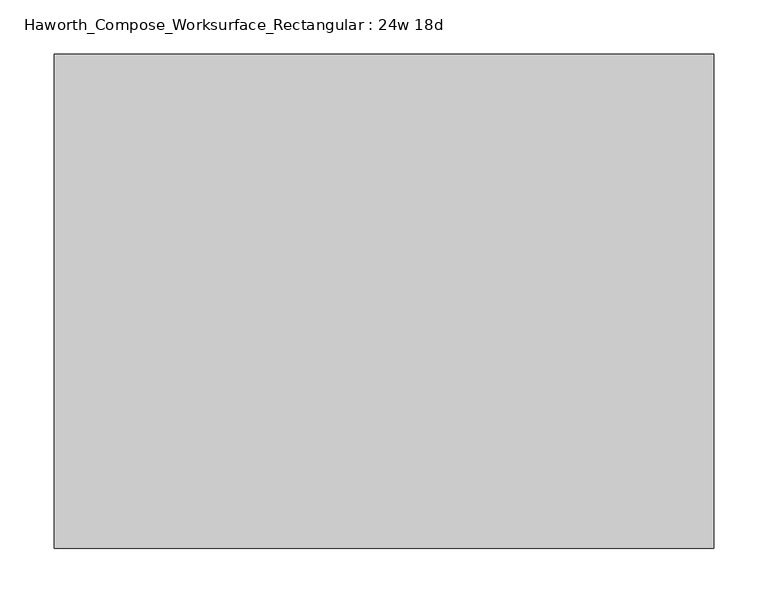
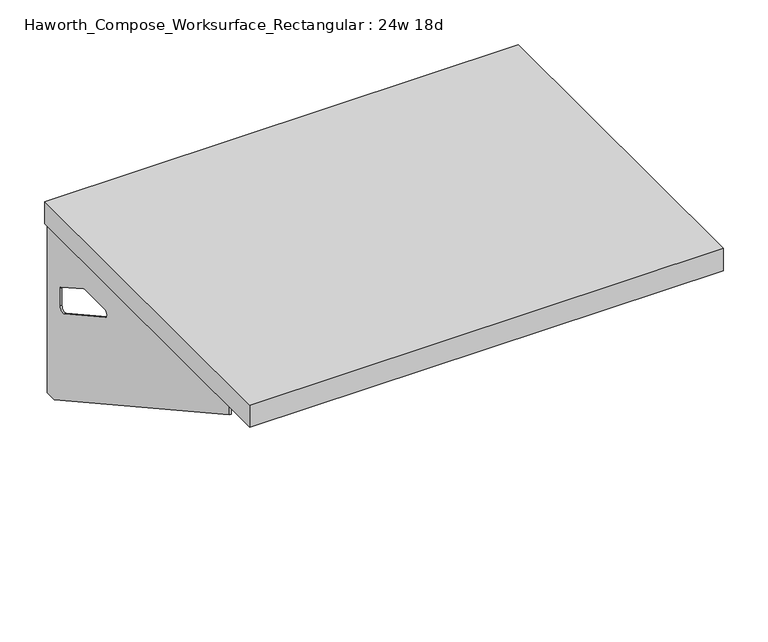
"""IFC4 building model written with IfcOpenShell, lengths in millimetres: furniture geometry, Haworth_Compose_Worksurface_Rectangular : 24w 18d."""

from ifc_helpers import new_model, si_unit, frame, origin, place, context, project, spatial, polyline, circle_curve, outline, extrude, source, transform, mapped, element, save
from ifc_brep_helpers import plane_surface, revolved_surface, advanced_brep


def haworth_compose_worksurface_rectangular_24w_18d_c6487fa7(model_context):
    return source(origin(), model_context, "Body", "SolidModel", [
        advanced_brep(
        [(299.24375, 228.6, 475.45625), (299.24375, 212.725, 475.45625), (299.24375, -177.8, 691.7192568), (299.24375, -177.8, 704.05625), (299.24375, 212.725, 704.05625), (299.24375, 228.6, 704.05625), (299.24375, 145.290072, 665.95625), (299.24375, 101.6355284, 665.95625), (299.24375, 98.9564235, 656.3705539), (299.24375, 190.6776173, 605.5776439), (299.24375, 200.025, 611.1756969), (299.24375, 200.025, 634.6860246), (299.24375, 198.2730055, 637.5242776), (299.24375, 148.3663437, 665.1613425), (301.625, 228.6, 475.45625), (301.625, 228.6, 704.05625), (301.625, 212.725, 704.05625), (301.625, 212.725, 706.4375), (301.625, -177.8, 706.4375), (301.625, -177.8, 691.7192568), (301.625, 212.725, 475.45625), (301.625, 145.290072, 665.95625), (301.625, 148.3663437, 665.1613425), (301.625, 198.2730055, 637.5242776), (301.625, 200.025, 634.6860246), (301.625, 200.025, 611.1756969), (301.625, 190.6776173, 605.5776439), (301.625, 98.9564235, 656.3705539), (301.625, 101.6355284, 665.95625), (260.35, -177.8, 706.4375), (260.35, -177.8, 704.05625), (260.35, 212.725, 704.05625), (260.35, 212.725, 706.4375)],
        [
            (0, 1),
            (1, 2),
            (2, 3),
            (3, 4),
            (4, 5),
            (5, 0),
            (6, 7),
            (7, 8, circle_curve(frame((299.24375, 101.6355284, 660.7890106), z_axis=(1.0, 0.0, 0.0), x_axis=(0.0, -1.0, 0.0)), 5.1672394)),
            (8, 9),
            (9, 10, circle_curve(frame((299.24375, 193.675, 611.1756969), z_axis=(1.0, 0.0, 0.0), x_axis=(0.0, -1.0, 0.0)), 6.35)),
            (10, 11),
            (11, 12, circle_curve(frame((299.24375, 196.85, 634.6860246), z_axis=(1.0, 0.0, 0.0), x_axis=(0.0, -1.0, 0.0)), 3.175)),
            (12, 13),
            (13, 6, circle_curve(frame((299.24375, 145.290072, 659.60625), z_axis=(1.0, 0.0, 0.0), x_axis=(0.0, -1.0, 0.0)), 6.35)),
            (14, 15),
            (15, 16),
            (16, 17),
            (17, 18),
            (18, 19),
            (19, 20),
            (20, 14),
            (21, 22, circle_curve(frame((301.625, 145.290072, 659.60625), z_axis=(-1.0, 0.0, 0.0), x_axis=(0.0, -1.0, 0.0)), 6.35)),
            (22, 23),
            (23, 24, circle_curve(frame((301.625, 196.85, 634.6860246), z_axis=(-1.0, 0.0, 0.0), x_axis=(0.0, -1.0, 0.0)), 3.175)),
            (24, 25),
            (25, 26, circle_curve(frame((301.625, 193.675, 611.1756969), z_axis=(-1.0, 0.0, 0.0), x_axis=(0.0, -1.0, 0.0)), 6.35)),
            (26, 27),
            (27, 28, circle_curve(frame((301.625, 101.6355284, 660.7890106), z_axis=(-1.0, 0.0, 0.0), x_axis=(0.0, -1.0, 0.0)), 5.1672394)),
            (28, 21),
            (4, 16),
            (15, 5),
            (14, 0),
            (20, 1),
            (19, 2),
            (18, 29),
            (29, 30),
            (30, 3),
            (6, 21),
            (28, 7),
            (9, 26),
            (25, 10),
            (24, 11),
            (23, 12),
            (27, 8),
            (31, 4),
            (30, 31),
            (32, 29),
            (17, 32),
            (31, 32),
            (22, 13),
        ],
        [
            plane_surface(frame((299.24375, 228.6, 475.45625), z_axis=(-1.0, 0.0, 0.0), x_axis=(0.0, 1.0, 0.0))),
            plane_surface(frame((301.625, 228.6, 475.45625), z_axis=(1.0, 0.0, 0.0), x_axis=(0.0, -1.0, 0.0))),
            plane_surface(frame((301.625, -177.8, 704.05625), z_axis=(0.0, 0.0, 1.0), x_axis=(-1.0, 0.0, 0.0))),
            plane_surface(frame((301.625, 228.6, 704.05625), z_axis=(0.0, 1.0, 0.0), x_axis=(-1.0, 0.0, 0.0))),
            plane_surface(frame((301.625, 228.6, 475.45625), z_axis=(0.0, 0.0, -1.0), x_axis=(-1.0, 0.0, 0.0))),
            plane_surface(frame((301.625, 212.725, 475.45625), z_axis=(0.0, -0.48445223513455843, -0.8748177135112952), x_axis=(-1.0, 0.0, 0.0))),
            plane_surface(frame((301.625, -177.8, 691.7192568), z_axis=(0.0, -1.0, 0.0), x_axis=(-1.0, 0.0, 0.0))),
            plane_surface(frame((301.625, 145.290072, 665.95625), z_axis=(0.0, 0.0, -1.0), x_axis=(-1.0, 0.0, 0.0))),
            revolved_surface(polyline([(299.24375, 187.32500000000002, 611.1756969), (301.625, 187.32500000000002, 611.1756969)]), (301.625, 193.675, 611.1756969), (-1.0, 0.0, 0.0)),
            plane_surface(frame((301.625, 200.025, 611.1756969), z_axis=(0.0, -1.0, 0.0), x_axis=(-1.0, 0.0, 0.0))),
            revolved_surface(polyline([(299.24375, 193.67499999999998, 634.6860246), (301.625, 193.67499999999998, 634.6860246)]), (301.625, 196.85, 634.6860246), (-1.0, 0.0, 0.0)),
            revolved_surface(polyline([(299.24375, 96.468289, 660.7890106), (301.625, 96.468289, 660.7890106)]), (301.625, 101.6355284, 660.7890106), (-1.0, 0.0, 0.0)),
            plane_surface(frame((301.625, 212.725, 704.05625), z_axis=(0.0, 0.0, -1.0), x_axis=(-1.0, 0.0, 0.0))),
            plane_surface(frame((301.625, 212.725, 706.4375), z_axis=(0.0, 0.0, 1.0), x_axis=(1.0, 0.0, 0.0))),
            plane_surface(frame((260.35, 212.725, 706.4375), z_axis=(0.0, 1.0, 0.0), x_axis=(0.0, 0.0, -1.0))),
            plane_surface(frame((260.35, -177.8, 706.4375), z_axis=(-1.0, 0.0, 0.0), x_axis=(0.0, 0.0, -1.0))),
            plane_surface(frame((301.625, 98.9564235, 656.3705539), z_axis=(0.0, 0.4844522351345583, 0.8748177135112953), x_axis=(-1.0, 0.0, 0.0))),
            plane_surface(frame((301.625, 198.2730055, 637.5242776), z_axis=(0.0, -0.4844522351345582, -0.8748177135112953), x_axis=(-1.0, 0.0, 0.0))),
            revolved_surface(polyline([(299.24375, 138.94007200000001, 659.60625), (301.625, 138.94007200000001, 659.60625)]), (301.625, 145.290072, 659.60625), (-1.0, 0.0, 0.0)),
        ],
        [
            (0, [[1, 2, 3, 4, 5, 6], [7, 8, 9, 10, 11, 12, 13, 14]]),
            (1, [[15, 16, 17, 18, 19, 20, 21], [22, 23, 24, 25, 26, 27, 28, 29]]),
            (2, [[-5, 30, -16, 31]]),
            (3, [[-31, -15, 32, -6]]),
            (4, [[-32, -21, 33, -1]]),
            (5, [[-33, -20, 34, -2]]),
            (6, [[-34, -19, 35, 36, 37, -3]]),
            (7, [[38, -29, 39, -7]]),
            (8, [[40, -26, 41, -10]]),
            (9, [[-41, -25, 42, -11]]),
            (10, [[-42, -24, 43, -12]]),
            (11, [[-39, -28, 44, -8]]),
            (12, [[45, -4, -37, 46]]),
            (13, [[47, -35, -18, 48]]),
            (14, [[-17, -30, -45, 49, -48]]),
            (15, [[-36, -47, -49, -46]]),
            (16, [[-44, -27, -40, -9]]),
            (17, [[-43, -23, 50, -13]]),
            (18, [[-50, -22, -38, -14]]),
        ],
    ),
        advanced_brep(
        [(-299.24375, 228.6, 475.45625), (-299.24375, 228.6, 704.05625), (-299.24375, 212.725, 704.05625), (-299.24375, -177.8, 704.05625), (-299.24375, -177.8, 691.7192568), (-299.24375, 212.725, 475.45625), (-299.24375, 145.290072, 665.95625), (-299.24375, 148.3663437, 665.1613425), (-299.24375, 198.2730055, 637.5242776), (-299.24375, 200.025, 634.6860246), (-299.24375, 200.025, 611.1756969), (-299.24375, 190.6776173, 605.5776439), (-299.24375, 98.9564235, 656.3705539), (-299.24375, 101.6355284, 665.95625), (-301.625, 228.6, 475.45625), (-301.625, 212.725, 475.45625), (-301.625, -177.8, 691.7192568), (-301.625, -177.8, 706.4375), (-301.625, 212.725, 706.4375), (-301.625, 212.725, 704.05625), (-301.625, 228.6, 704.05625), (-301.625, 145.290072, 665.95625), (-301.625, 101.6355284, 665.95625), (-301.625, 98.9564235, 656.3705539), (-301.625, 190.6776173, 605.5776439), (-301.625, 200.025, 611.1756969), (-301.625, 200.025, 634.6860246), (-301.625, 198.2730055, 637.5242776), (-301.625, 148.3663437, 665.1613425), (-260.35, -177.8, 704.05625), (-260.35, -177.8, 706.4375), (-260.35, 212.725, 704.05625), (-260.35, 212.725, 706.4375)],
        [
            (0, 1),
            (1, 2),
            (2, 3),
            (3, 4),
            (4, 5),
            (5, 0),
            (6, 7, circle_curve(frame((-299.24375, 145.290072, 659.60625), z_axis=(-1.0, 0.0, 0.0), x_axis=(0.0, -1.0, 0.0)), 6.35)),
            (7, 8),
            (8, 9, circle_curve(frame((-299.24375, 196.85, 634.6860246), z_axis=(-1.0, 0.0, 0.0), x_axis=(0.0, -1.0, 0.0)), 3.175)),
            (9, 10),
            (10, 11, circle_curve(frame((-299.24375, 193.675, 611.1756969), z_axis=(-1.0, 0.0, 0.0), x_axis=(0.0, -1.0, 0.0)), 6.35)),
            (11, 12),
            (12, 13, circle_curve(frame((-299.24375, 101.6355284, 660.7890106), z_axis=(-1.0, 0.0, 0.0), x_axis=(0.0, -1.0, 0.0)), 5.1672394)),
            (13, 6),
            (14, 15),
            (15, 16),
            (16, 17),
            (17, 18),
            (18, 19),
            (19, 20),
            (20, 14),
            (21, 22),
            (22, 23, circle_curve(frame((-301.625, 101.6355284, 660.7890106), z_axis=(1.0, 0.0, 0.0), x_axis=(0.0, -1.0, 0.0)), 5.1672394)),
            (23, 24),
            (24, 25, circle_curve(frame((-301.625, 193.675, 611.1756969), z_axis=(1.0, 0.0, 0.0), x_axis=(0.0, -1.0, 0.0)), 6.35)),
            (25, 26),
            (26, 27, circle_curve(frame((-301.625, 196.85, 634.6860246), z_axis=(1.0, 0.0, 0.0), x_axis=(0.0, -1.0, 0.0)), 3.175)),
            (27, 28),
            (28, 21, circle_curve(frame((-301.625, 145.290072, 659.60625), z_axis=(1.0, 0.0, 0.0), x_axis=(0.0, -1.0, 0.0)), 6.35)),
            (1, 20),
            (19, 2),
            (0, 14),
            (5, 15),
            (4, 16),
            (3, 29),
            (29, 30),
            (30, 17),
            (13, 22),
            (21, 6),
            (10, 25),
            (24, 11),
            (9, 26),
            (8, 27),
            (12, 23),
            (31, 29),
            (2, 31),
            (32, 18),
            (30, 32),
            (32, 31),
            (7, 28),
        ],
        [
            plane_surface(frame((-299.24375, 228.6, 475.45625), z_axis=(1.0, 0.0, 0.0), x_axis=(0.0, 1.0, 0.0))),
            plane_surface(frame((-301.625, 228.6, 475.45625), z_axis=(-1.0, 0.0, 0.0), x_axis=(0.0, -1.0, 0.0))),
            plane_surface(frame((-301.625, -177.8, 704.05625), z_axis=(0.0, 0.0, 1.0), x_axis=(1.0, 0.0, 0.0))),
            plane_surface(frame((-301.625, 228.6, 704.05625), z_axis=(0.0, 1.0, 0.0), x_axis=(1.0, 0.0, 0.0))),
            plane_surface(frame((-301.625, 228.6, 475.45625), z_axis=(0.0, 0.0, -1.0), x_axis=(1.0, 0.0, 0.0))),
            plane_surface(frame((-301.625, 212.725, 475.45625), z_axis=(0.0, -0.48445223513455843, -0.8748177135112952), x_axis=(1.0, 0.0, 0.0))),
            plane_surface(frame((-301.625, -177.8, 691.7192568), z_axis=(0.0, -1.0, 0.0), x_axis=(1.0, 0.0, 0.0))),
            plane_surface(frame((-301.625, 145.290072, 665.95625), z_axis=(0.0, 0.0, -1.0), x_axis=(1.0, 0.0, 0.0))),
            revolved_surface(polyline([(-299.24375, 187.32500000000002, 611.1756969), (-301.625, 187.32500000000002, 611.1756969)]), (-301.625, 193.675, 611.1756969), (1.0, 0.0, 0.0)),
            plane_surface(frame((-301.625, 200.025, 611.1756969), z_axis=(0.0, -1.0, 0.0), x_axis=(1.0, 0.0, 0.0))),
            revolved_surface(polyline([(-299.24375, 193.67499999999998, 634.6860246), (-301.625, 193.67499999999998, 634.6860246)]), (-301.625, 196.85, 634.6860246), (1.0, 0.0, 0.0)),
            revolved_surface(polyline([(-299.24375, 96.468289, 660.7890106), (-301.625, 96.468289, 660.7890106)]), (-301.625, 101.6355284, 660.7890106), (1.0, 0.0, 0.0)),
            plane_surface(frame((-301.625, 212.725, 704.05625), z_axis=(0.0, 0.0, -1.0), x_axis=(1.0, 0.0, 0.0))),
            plane_surface(frame((-301.625, 212.725, 706.4375), z_axis=(0.0, 0.0, 1.0), x_axis=(-1.0, 0.0, 0.0))),
            plane_surface(frame((-260.35, 212.725, 706.4375), z_axis=(0.0, 1.0, 0.0), x_axis=(0.0, 0.0, -1.0))),
            plane_surface(frame((-260.35, -177.8, 706.4375), z_axis=(1.0, 0.0, 0.0), x_axis=(0.0, 0.0, -1.0))),
            plane_surface(frame((-301.625, 98.9564235, 656.3705539), z_axis=(0.0, 0.4844522351345583, 0.8748177135112953), x_axis=(1.0, 0.0, 0.0))),
            plane_surface(frame((-301.625, 198.2730055, 637.5242776), z_axis=(0.0, -0.4844522351345582, -0.8748177135112953), x_axis=(1.0, 0.0, 0.0))),
            revolved_surface(polyline([(-299.24375, 138.94007200000001, 659.60625), (-301.625, 138.94007200000001, 659.60625)]), (-301.625, 145.290072, 659.60625), (1.0, 0.0, 0.0)),
        ],
        [
            (0, [[1, 2, 3, 4, 5, 6], [7, 8, 9, 10, 11, 12, 13, 14]]),
            (1, [[15, 16, 17, 18, 19, 20, 21], [22, 23, 24, 25, 26, 27, 28, 29]]),
            (2, [[30, -20, 31, -2]]),
            (3, [[-1, 32, -21, -30]]),
            (4, [[-6, 33, -15, -32]]),
            (5, [[-5, 34, -16, -33]]),
            (6, [[-4, 35, 36, 37, -17, -34]]),
            (7, [[-14, 38, -22, 39]]),
            (8, [[-11, 40, -25, 41]]),
            (9, [[-10, 42, -26, -40]]),
            (10, [[-9, 43, -27, -42]]),
            (11, [[-13, 44, -23, -38]]),
            (12, [[45, -35, -3, 46]]),
            (13, [[47, -18, -37, 48]]),
            (14, [[-47, 49, -46, -31, -19]]),
            (15, [[-45, -49, -48, -36]]),
            (16, [[-12, -41, -24, -44]]),
            (17, [[-8, 50, -28, -43]]),
            (18, [[-7, -39, -29, -50]]),
        ],
    ),
        extrude(outline(polyline([(304.8, 228.6), (304.8, -228.6), (-304.8, -228.6), (-304.8, 228.6), (304.8, 228.6)])), frame((0.0, 0.0, 706.4375), z_axis=(0.0, 0.0, 1.0), x_axis=(1.0, 0.0, 0.0)), (0.0, 0.0, 1.0), 30.1625),
    ])


if __name__ == "__main__":
    model = new_model("IFC4")
    model_context = context("Model", 3, world=origin())
    ifc_project = project(units=[si_unit("LENGTHUNIT", "METRE", prefix="MILLI")], contexts=[model_context])
    site = spatial("IfcSite", under=ifc_project)
    building = spatial("IfcBuilding", under=site)
    placement = place(None, origin())
    haworth_compose_worksurface_rectangular_24w_18d_shape = haworth_compose_worksurface_rectangular_24w_18d_c6487fa7(model_context)
    element("IfcFurniture", 1, ObjectType="Haworth_Compose_Worksurface_Rectangular : 24w 18d", at=placement, inside=building, context=model_context, shape_type="MappedRepresentation", body=[
        mapped(haworth_compose_worksurface_rectangular_24w_18d_shape, transform((0.0, 0.0, 0.0), x_axis=(1.0, 0.0, 0.0), y_axis=(0.0, 1.0, 0.0), z_axis=(0.0, 0.0, 1.0))),
    ])
    save(model, "model.ifc")
